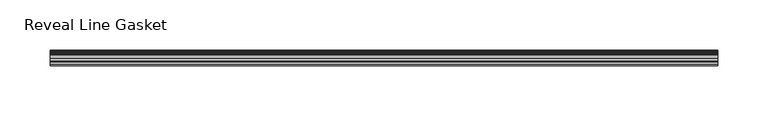
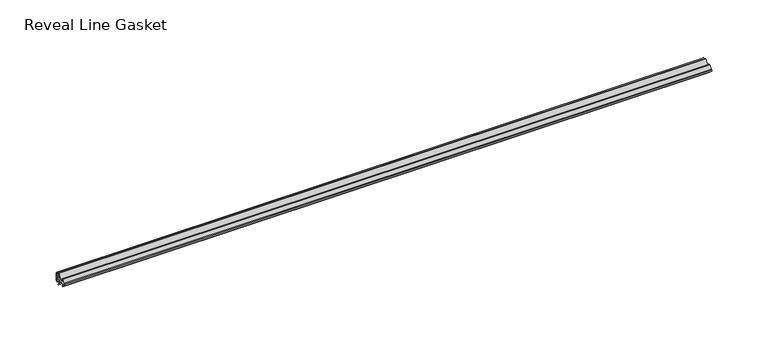
"""IFC4 building model written with IfcOpenShell, lengths in millimetres: furniture geometry, Reveal Line Gasket."""

from ifc_helpers import new_model, si_unit, point, frame, frame_2d, origin, place, context, project, spatial, polyline, circle_curve, trimmed, segment, composite_curve, outline, extrude, source, transform, mapped, element, save


def reveal_line_gasket_ce7270c6(model_context):
    return source(origin(), model_context, "Body", "SweptSolid", [
        extrude(outline(composite_curve([segment(polyline([(7.6326998, 1603.2), (7.6326998, 1597.2), (7.4091917, 1596.2445073), (6.8813059, 1595.3115316)]), True, "CONTINUOUS"), segment(trimmed(circle_curve(frame_2d((6.5243141, 1595.5135207)), 0.4101739), [point((6.8813059, 1595.3115316))], [point((6.1246704, 1595.6058653))], False, "CARTESIAN"), True, "CONTINUOUS"), segment(polyline([(6.1246704, 1595.6058653), (6.3626997, 1597.3020914), (6.3626997, 1599.3345473)]), True, "CONTINUOUS"), segment(trimmed(circle_curve(frame_2d((5.6959605, 1598.9180742)), 0.786124), [point((6.3626997, 1599.3345473))], [point((5.0926996, 1599.422125))], True, "CARTESIAN"), True, "CONTINUOUS"), segment(polyline([(5.0926996, 1599.422125), (0.7492996, 1599.422125), (3.7293824, 1594.2604705)]), True, "CONTINUOUS"), segment(trimmed(circle_curve(frame_2d((3.3132479, 1594.1950239)), 0.4212495), [point((3.7293824, 1594.2604705))], [point((3.0485022, 1593.8673642))], False, "CARTESIAN"), True, "CONTINUOUS"), segment(polyline([(3.0485022, 1593.8673642), (-0.5742594, 1599.422125), (-4.8262978, 1599.422125), (-3.1660374, 1596.5464703)]), True, "CONTINUOUS"), segment(trimmed(circle_curve(frame_2d((-3.5978728, 1596.4881145)), 0.4357605), [point((-3.1660374, 1596.5464703))], [point((-3.864328, 1596.1433119))], False, "CARTESIAN"), True, "CONTINUOUS"), segment(polyline([(-3.864328, 1596.1433119), (-6.1944059, 1599.422125), (-7.6326998, 1599.422125), (-7.6326998, 1600.977875), (-6.1944059, 1600.977875), (-3.864328, 1604.2566881)]), True, "CONTINUOUS"), segment(trimmed(circle_curve(frame_2d((-3.5978728, 1603.9118855)), 0.4357605), [point((-3.864328, 1604.2566881))], [point((-3.1660374, 1603.8535297))], False, "CARTESIAN"), True, "CONTINUOUS"), segment(polyline([(-3.1660374, 1603.8535297), (-4.8262978, 1600.977875), (-0.5742594, 1600.977875), (3.0485022, 1606.5326358)]), True, "CONTINUOUS"), segment(trimmed(circle_curve(frame_2d((3.3132479, 1606.2049761)), 0.4212495), [point((3.0485022, 1606.5326358))], [point((3.7293824, 1606.1395295))], False, "CARTESIAN"), True, "CONTINUOUS"), segment(polyline([(3.7293824, 1606.1395295), (0.7492996, 1600.977875), (5.0926996, 1600.977875)]), True, "CONTINUOUS"), segment(trimmed(circle_curve(frame_2d((5.6959605, 1601.4819258)), 0.786124), [point((5.0926996, 1600.977875))], [point((6.3626997, 1601.0654527))], True, "CARTESIAN"), True, "CONTINUOUS"), segment(polyline([(6.3626997, 1601.0654527), (6.3626997, 1603.0979086), (6.1246704, 1604.7941347)]), True, "CONTINUOUS"), segment(trimmed(circle_curve(frame_2d((6.5243141, 1604.8864793)), 0.4101739), [point((6.1246704, 1604.7941347))], [point((6.8813059, 1605.0884684))], False, "CARTESIAN"), True, "CONTINUOUS"), segment(polyline([(6.8813059, 1605.0884684), (7.4091917, 1604.1554927), (7.6326998, 1603.2)]), True, "CONTINUOUS")], self_intersect=False)), frame((-332.4603284, 0.0, 0.0), z_axis=(1.0, 0.0, 0.0), x_axis=(0.0, 1.0, 0.0)), (0.0, 0.0, 1.0), 664.9206568),
    ])


if __name__ == "__main__":
    model = new_model("IFC4")
    model_context = context("Model", 3, world=origin())
    ifc_project = project(units=[si_unit("LENGTHUNIT", "METRE", prefix="MILLI")], contexts=[model_context])
    site = spatial("IfcSite", under=ifc_project)
    building = spatial("IfcBuilding", under=site)
    placement = place(None, origin())
    reveal_line_gasket_shape = reveal_line_gasket_ce7270c6(model_context)
    element("IfcFurniture", 1, ObjectType="Reveal Line Gasket", at=placement, inside=building, context=model_context, shape_type="MappedRepresentation", body=[
        mapped(reveal_line_gasket_shape, transform((0.0, 0.0, 0.0), x_axis=(1.0, 0.0, 0.0), y_axis=(0.0, 1.0, 0.0), z_axis=(0.0, 0.0, 1.0))),
    ])
    save(model, "model.ifc")
